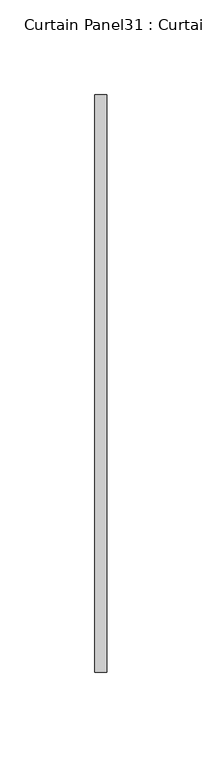
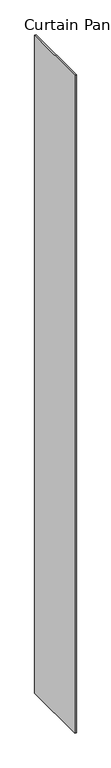
"""IFC4 building model written with IfcOpenShell, lengths in millimetres: plate geometry, Curtain Panel31 : Curtain Panel."""

from ifc_helpers import new_model, si_unit, origin, origin_with_axes, place, context, project, spatial, polyline, outline, extrude, source, transform, mapped, element, save


def curtain_panel31_curtain_panel_580fec2d(model_context):
    return source(origin(), model_context, "Body", "SweptSolid", [
        extrude(outline(polyline([(345862.6031947, 1983.9880759), (345862.6031947, 2288.7880759), (345868.9531947, 2288.7880759), (345868.9531947, 1983.9880759), (345862.6031947, 1983.9880759)])), origin_with_axes(), (0.0, 0.0, 1.0), 3048.0),
    ])


if __name__ == "__main__":
    model = new_model("IFC4")
    model_context = context("Model", 3, world=origin())
    ifc_project = project(units=[si_unit("LENGTHUNIT", "METRE", prefix="MILLI")], contexts=[model_context])
    site = spatial("IfcSite", under=ifc_project)
    building = spatial("IfcBuilding", under=site)
    placement = place(None, origin())
    curtain_panel31_curtain_panel_shape = curtain_panel31_curtain_panel_580fec2d(model_context)
    element("IfcPlate", 1, ObjectType="Curtain Panel31 : Curtain Panel", at=placement, inside=building, context=model_context, shape_type="MappedRepresentation", body=[
        mapped(curtain_panel31_curtain_panel_shape, transform((0.0, 0.0, 0.0), x_axis=(1.0, 0.0, 0.0), y_axis=(0.0, 1.0, 0.0), z_axis=(0.0, 0.0, 1.0))),
    ])
    save(model, "model.ifc")
